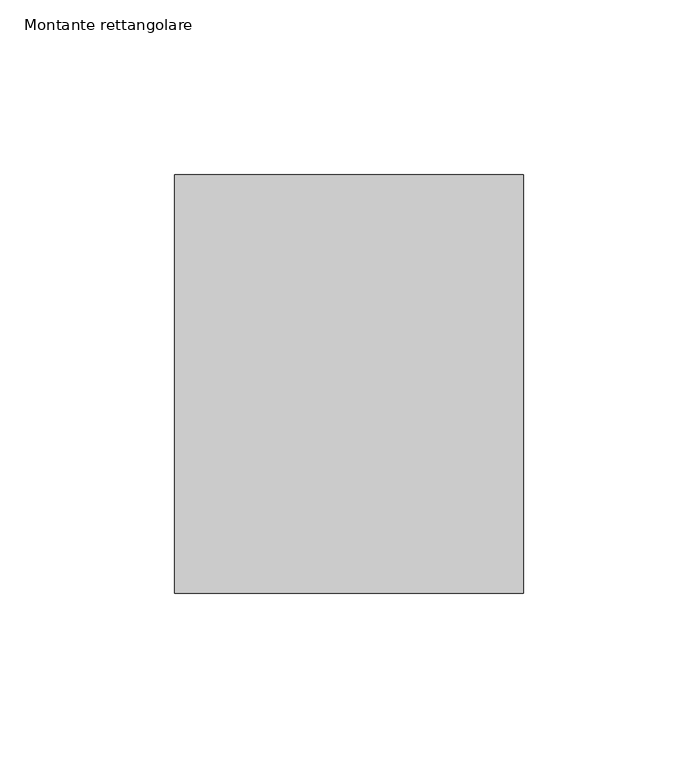
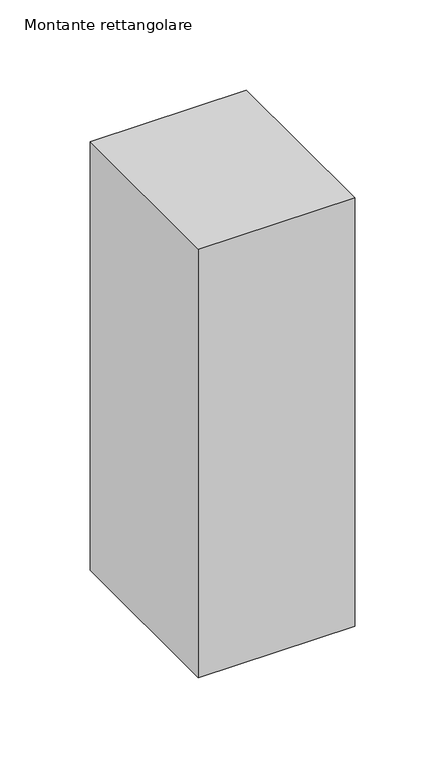
"""IFC4 building model written with IfcOpenShell, lengths in millimetres: member geometry, Montante rettangolare."""

from ifc_helpers import new_model, si_unit, frame, origin, place, context, project, spatial, polyline, outline, extrude, source, transform, mapped, element, save


def montante_rettangolare_e0f2f1fa(model_context):
    return source(origin(), model_context, "Body", "SweptSolid", [
        extrude(outline(polyline([(50.0, 60.0), (50.0, -60.0), (-50.0, -60.0), (-50.0, 60.0), (50.0, 60.0)])), frame((0.0, 0.0, -289.8400758), z_axis=(0.0, 0.0, 1.0), x_axis=(1.0, 0.0, 0.0)), (0.0, 0.0, 1.0), 289.8400758),
    ])


if __name__ == "__main__":
    model = new_model("IFC4")
    model_context = context("Model", 3, world=origin())
    ifc_project = project(units=[si_unit("LENGTHUNIT", "METRE", prefix="MILLI")], contexts=[model_context])
    site = spatial("IfcSite", under=ifc_project)
    building = spatial("IfcBuilding", under=site)
    placement = place(None, origin())
    montante_rettangolare_shape = montante_rettangolare_e0f2f1fa(model_context)
    element("IfcMember", 1, ObjectType="Montante rettangolare", at=placement, inside=building, context=model_context, shape_type="MappedRepresentation", body=[
        mapped(montante_rettangolare_shape, transform((0.0, 0.0, 0.0), x_axis=(1.0, 0.0, 0.0), y_axis=(0.0, 1.0, 0.0), z_axis=(0.0, 0.0, 1.0))),
    ])
    save(model, "model.ifc")
